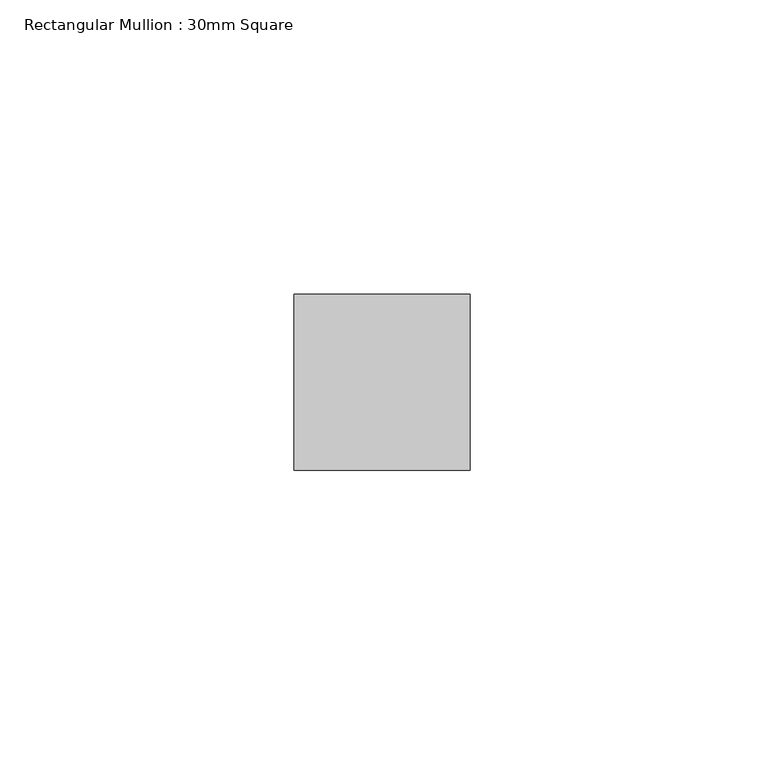
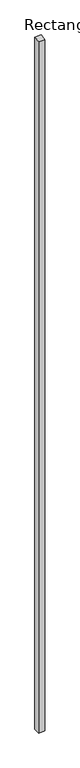
"""IFC4 building model written with IfcOpenShell, lengths in millimetres: member geometry, Rectangular Mullion : 30mm Square."""

from ifc_helpers import new_model, si_unit, frame, origin, place, context, project, spatial, polyline, outline, extrude, source, transform, mapped, element, save


def rectangular_mullion_30mm_square_2c97352c(model_context):
    return source(origin(), model_context, "Body", "SweptSolid", [
        extrude(outline(polyline([(-15.0, -2.3757666), (15.0, 2.3757666), (15.0, -3441.5582309), (-15.0, -3441.5582309), (-15.0, -2.3757666)])), frame((-15.0, 0.0, 0.0), z_axis=(1.0, 0.0, 0.0), x_axis=(0.0, 1.0, 0.0)), (0.0, 0.0, 1.0), 30.0),
    ])


if __name__ == "__main__":
    model = new_model("IFC4")
    model_context = context("Model", 3, world=origin())
    ifc_project = project(units=[si_unit("LENGTHUNIT", "METRE", prefix="MILLI")], contexts=[model_context])
    site = spatial("IfcSite", under=ifc_project)
    building = spatial("IfcBuilding", under=site)
    placement = place(None, origin())
    rectangular_mullion_30mm_square_shape = rectangular_mullion_30mm_square_2c97352c(model_context)
    element("IfcMember", 1, ObjectType="Rectangular Mullion : 30mm Square", at=placement, inside=building, context=model_context, shape_type="MappedRepresentation", body=[
        mapped(rectangular_mullion_30mm_square_shape, transform((0.0, 0.0, 0.0), x_axis=(1.0, 0.0, 0.0), y_axis=(0.0, 1.0, 0.0), z_axis=(0.0, 0.0, 1.0))),
    ])
    save(model, "model.ifc")
